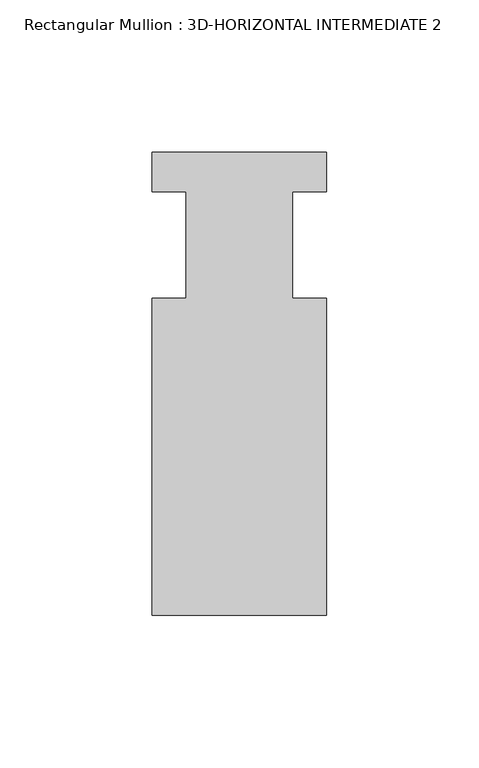
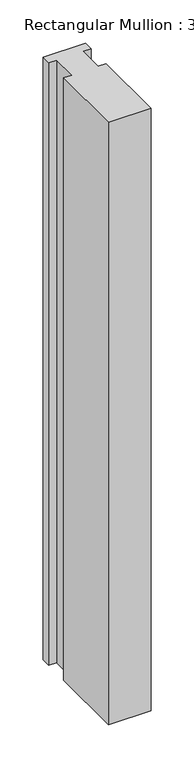
"""IFC4 building model written with IfcOpenShell, lengths in millimetres: member geometry, Rectangular Mullion : 3D-HORIZONTAL INTERMEDIATE 2."""

from ifc_helpers import new_model, si_unit, frame, origin, place, context, project, spatial, polyline, outline, extrude, source, transform, mapped, element, save


def rectangular_mullion_3d_horizontal_intermediate_2_f55f8a5d(model_context):
    return source(origin(), model_context, "Body", "SweptSolid", [
        extrude(outline(polyline([(28.575, 75.8444), (28.575, 62.9771117), (17.4625, 62.9771117), (17.4625, 28.0162), (28.575, 28.0162), (28.575, -75.8444), (-28.575, -75.8444), (-28.575, 28.0162), (-17.4625, 28.0162), (-17.4625, 62.9771117), (-28.575, 62.9771117), (-28.575, 75.8444), (28.575, 75.8444)])), frame((0.0, 0.0, -852.8033959), z_axis=(0.0, 0.0, 1.0), x_axis=(1.0, 0.0, 0.0)), (0.0, 0.0, 1.0), 852.8033959),
    ])


if __name__ == "__main__":
    model = new_model("IFC4")
    model_context = context("Model", 3, world=origin())
    ifc_project = project(units=[si_unit("LENGTHUNIT", "METRE", prefix="MILLI")], contexts=[model_context])
    site = spatial("IfcSite", under=ifc_project)
    building = spatial("IfcBuilding", under=site)
    placement = place(None, origin())
    rectangular_mullion_3d_horizontal_intermediate_2_shape = rectangular_mullion_3d_horizontal_intermediate_2_f55f8a5d(model_context)
    element("IfcMember", 1, ObjectType="Rectangular Mullion : 3D-HORIZONTAL INTERMEDIATE 2", at=placement, inside=building, context=model_context, shape_type="MappedRepresentation", body=[
        mapped(rectangular_mullion_3d_horizontal_intermediate_2_shape, transform((0.0, 0.0, 0.0), x_axis=(1.0, 0.0, 0.0), y_axis=(0.0, 1.0, 0.0), z_axis=(0.0, 0.0, 1.0))),
    ])
    save(model, "model.ifc")
